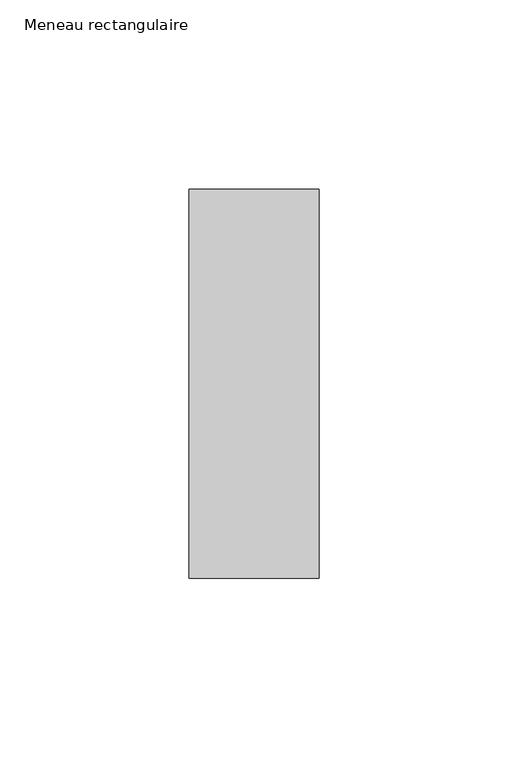
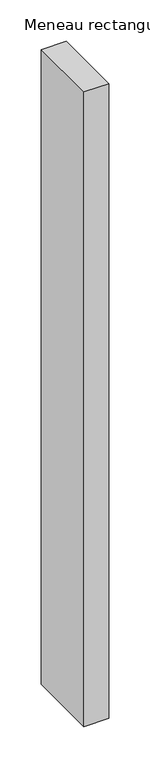
"""IFC4 building model written with IfcOpenShell, lengths in millimetres: member geometry, Meneau rectangulaire."""

from ifc_helpers import new_model, si_unit, frame, origin, place, context, project, spatial, polyline, outline, extrude, source, transform, mapped, element, save


def meneau_rectangulaire_01c96a71(model_context):
    return source(origin(), model_context, "Body", "SweptSolid", [
        extrude(outline(polyline([(0.0, 51.5), (0.0, -51.5), (-34.5, -51.5), (-34.5, 51.5), (0.0, 51.5)])), frame((0.0, 0.0, -937.0873828), z_axis=(0.0, 0.0, 1.0), x_axis=(1.0, 0.0, 0.0)), (0.0, 0.0, 1.0), 937.0873828),
    ])


if __name__ == "__main__":
    model = new_model("IFC4")
    model_context = context("Model", 3, world=origin())
    ifc_project = project(units=[si_unit("LENGTHUNIT", "METRE", prefix="MILLI")], contexts=[model_context])
    site = spatial("IfcSite", under=ifc_project)
    building = spatial("IfcBuilding", under=site)
    placement = place(None, origin())
    meneau_rectangulaire_shape = meneau_rectangulaire_01c96a71(model_context)
    element("IfcMember", 1, ObjectType="Meneau rectangulaire", at=placement, inside=building, context=model_context, shape_type="MappedRepresentation", body=[
        mapped(meneau_rectangulaire_shape, transform((0.0, 0.0, 0.0), x_axis=(1.0, 0.0, 0.0), y_axis=(0.0, 1.0, 0.0), z_axis=(0.0, 0.0, 1.0))),
    ])
    save(model, "model.ifc")
